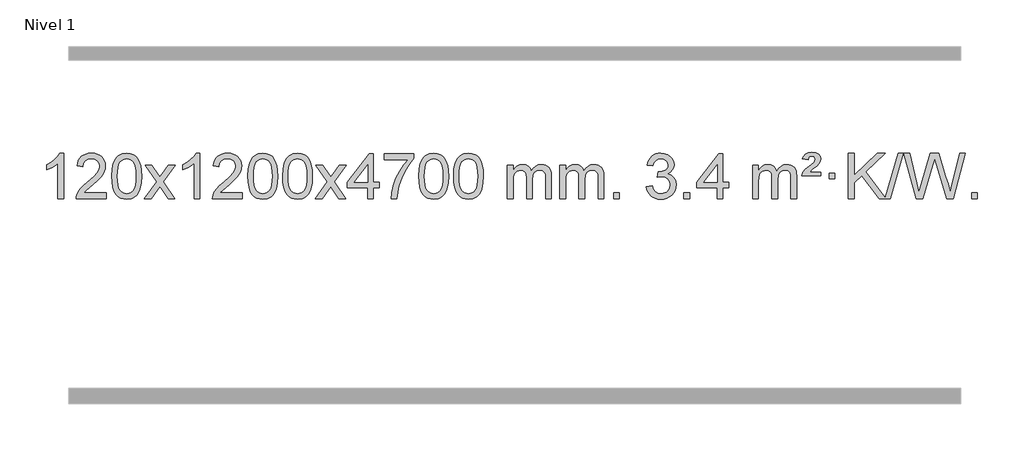
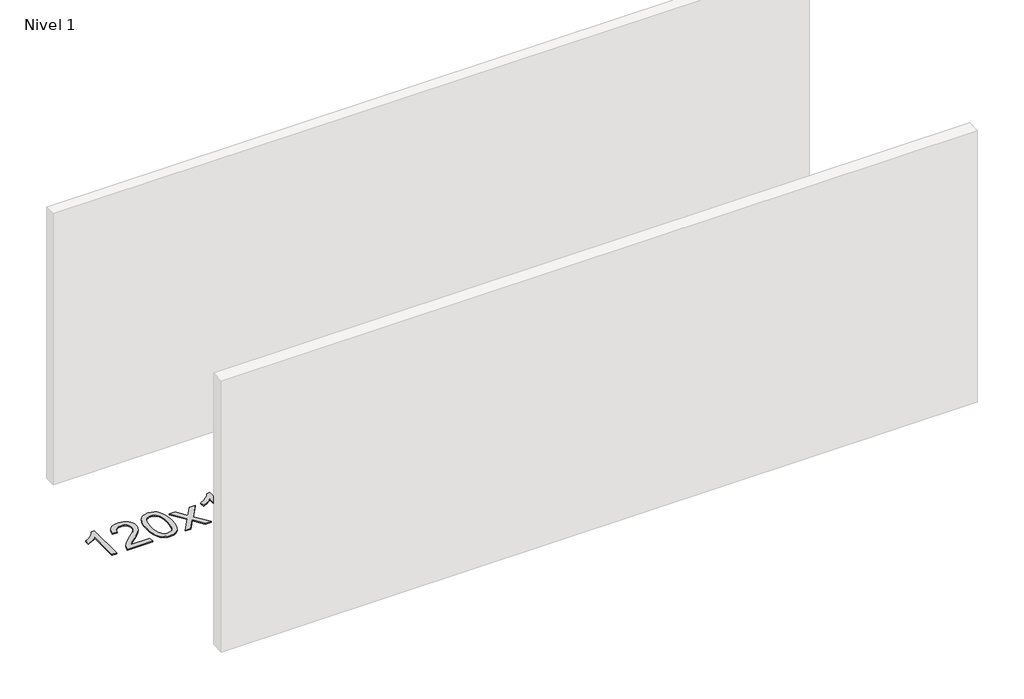
# One storey, part 4 of 10: 1 proxy.
"""IFC4 building model written with IfcOpenShell, lengths in millimetres."""

from ifc_helpers import new_model, si_unit, origin, origin_with_axes, place, context, project, spatial, polyline, outline, extrude, element, save

model = new_model("IFC4")

# Units and contexts
model_context = context("Model", 3, world=origin())
ifc_project = project(units=[si_unit("LENGTHUNIT", "METRE", prefix="MILLI")], contexts=[model_context])

# Site, building, storey
site = spatial("IfcSite", under=ifc_project)
building = spatial("IfcBuilding", under=site)
storey = spatial("IfcBuildingStorey", under=building, Name="Nivel 1", Elevation=0.0)

# Proxy
placement = place(None, origin())
element("IfcBuildingElementProxy", 1, Name="Texto de modelo 1", ObjectType="Texto de modelo 1", at=placement, inside=storey, context=model_context, shape_type="SweptSolid", body=[
    extrude(outline(polyline([(-275.4615788, -12445.579453), (-325.6897338, -12445.579453), (-325.6897338, -12132.4382987), (-346.6590076, -12149.3976587), (-373.2691385, -12166.3324932), (-426.146044, -12191.6918254), (-426.146044, -12144.2105225), (-386.6968314, -12122.7507395), (-352.520594, -12097.219729), (-325.5793692, -12070.0700378), (-307.8351943, -12043.7542124), (-275.4615788, -12043.7542124), (-275.4615788, -12445.579453)])), origin_with_axes(), (0.0, 0.0, 1.0), 10.0),
    extrude(outline(polyline([(101.2495843, -12395.3512979), (101.2495843, -12445.579453), (-162.4482298, -12445.579453), (-161.3445839, -12427.8965918), (-157.0526273, -12410.9494945), (-144.6672667, -12383.8856424), (-126.5429471, -12357.6311307), (-100.3252236, -12330.1503456), (-63.6596514, -12299.4076736), (-9.4583708, -12251.2641831), (23.0623976, -12215.7267824), (39.3227818, -12186.884834), (44.7429098, -12158.8277005), (39.6293501, -12133.6768347), (24.2886709, -12112.7688747), (0.707435, -12098.6789943), (-29.1277948, -12093.9823675), (-60.4590781, -12098.5686297), (-84.8006034, -12112.3274163), (-100.5091646, -12134.1796068), (-105.9415554, -12163.0460807), (-156.1697105, -12156.7675613), (-151.8501627, -12130.838012), (-143.9928164, -12108.1826125), (-132.5976716, -12088.8013627), (-117.6647283, -12072.6942627), (-99.537343, -12060.0329907), (-78.5588722, -12050.989225), (-54.729316, -12045.5629655), (-28.0486743, -12043.7542124), (-1.1289093, -12045.7653006), (22.8294057, -12051.7985654), (43.8262705, -12061.8540066), (61.8616853, -12075.9316242), (76.3470389, -12092.9890861), (86.69372, -12111.9840598), (92.9017287, -12132.9165453), (94.9710649, -12155.7865427), (92.7392475, -12179.8092369), (86.0437952, -12203.4149983), (74.1612067, -12227.4254299), (56.3679809, -12252.6621347), (28.0042791, -12282.7916701), (-15.5897374, -12321.4805933), (-73.3717361, -12369.795762), (-96.033267, -12395.3512979), (101.2495843, -12395.3512979)])), origin_with_axes(), (0.0, 0.0, 1.0), 10.0),
    extrude(outline(polyline([(151.4777394, -12247.9041943), (155.1688221, -12183.5861588), (166.2420701, -12132.2911459), (184.5871189, -12093.2343407), (196.4451819, -12078.0009605), (210.0936039, -12065.6309284), (225.5783702, -12056.0598651), (242.9454661, -12049.2233914), (283.3266464, -12043.7542124), (314.277785, -12046.991574), (341.9915619, -12056.7036586), (365.1681276, -12072.5103217), (382.5076323, -12094.0314184), (395.6042314, -12121.0830078), (406.05208, -12153.4811488), (412.8946851, -12194.6226186), (415.1755535, -12247.9041943), (411.521259, -12311.8543477), (400.5583756, -12363.0267333), (382.3236913, -12402.1203266), (370.4932195, -12417.3996922), (356.8539945, -12429.8341036), (341.3508341, -12439.4695462), (323.928556, -12446.3520052), (283.3266464, -12451.8579724), (255.6619204, -12449.4667394), (231.1364541, -12442.2930405), (209.7502474, -12430.3368757), (191.5033004, -12413.5982449), (173.9921175, -12383.3399508), (161.4841296, -12345.6381776), (153.9793369, -12300.4929255), (151.4777394, -12247.9041943)]), holes=[polyline([(201.7058944, -12247.8060924), (203.1774224, -12291.4706195), (207.5920064, -12326.8148822), (214.9496463, -12353.8388804), (225.2503421, -12372.5426142), (237.709279, -12385.2682656), (251.5416421, -12394.3580165), (266.7474312, -12399.8118671), (283.3266464, -12401.6298173), (299.9058617, -12399.8057357), (315.1116508, -12394.3334911), (328.9440138, -12385.2130833), (341.4029507, -12372.4445124), (351.7036466, -12353.7101217), (359.0612865, -12326.6922549), (363.4758705, -12291.3909118), (364.9473984, -12247.8060924), (363.5249214, -12205.2973278), (359.2574902, -12170.5753989), (352.145105, -12143.6403055), (342.1877657, -12124.4920476), (329.9372952, -12111.1440625), (315.9455167, -12101.6097875), (300.21243, -12095.8892225), (282.7380352, -12093.9823675), (266.2446591, -12095.6623619), (251.2963874, -12100.7023452), (237.89322, -12109.1023175), (226.0351571, -12120.8622786), (215.3911047, -12141.708925), (207.7882101, -12169.8151094), (203.2264734, -12205.1808319), (201.7058944, -12247.8060924)])]), origin_with_axes(), (0.0, 0.0, 1.0), 10.0),
    extrude(outline(polyline([(440.2896311, -12445.579453), (547.6130718, -12297.2494325), (446.5681504, -12150.4890419), (506.9988995, -12150.4890419), (555.7555266, -12221.122385), (578.5151594, -12254.4770192), (598.2336343, -12227.2047007), (653.7592901, -12150.4890419), (714.1900392, -12150.4890419), (608.0438209, -12297.2494325), (710.2659646, -12445.579453), (649.8352155, -12445.579453), (588.3253459, -12356.4048574), (577.0436314, -12340.1199477), (500.7203801, -12445.579453), (440.2896311, -12445.579453)])), origin_with_axes(), (0.0, 0.0, 1.0), 10.0),
    extrude(outline(polyline([(930.014143, -12445.579453), (879.785988, -12445.579453), (879.785988, -12132.4382987), (858.8167142, -12149.3976587), (832.2065832, -12166.3324932), (779.3296778, -12191.6918254), (779.3296778, -12144.2105225), (818.7788904, -12122.7507395), (852.9551278, -12097.219729), (879.8963526, -12070.0700378), (897.6405275, -12043.7542124), (930.014143, -12043.7542124), (930.014143, -12445.579453)])), origin_with_axes(), (0.0, 0.0, 1.0), 10.0),
    extrude(outline(polyline([(1306.7253061, -12395.3512979), (1306.7253061, -12445.579453), (1043.0274919, -12445.579453), (1044.1311379, -12427.8965918), (1048.4230945, -12410.9494945), (1060.808455, -12383.8856424), (1078.9327747, -12357.6311307), (1105.1504982, -12330.1503456), (1141.8160704, -12299.4076736), (1196.017351, -12251.2641831), (1228.5381194, -12215.7267824), (1244.7985036, -12186.884834), (1250.2186316, -12158.8277005), (1245.1050719, -12133.6768347), (1229.7643927, -12112.7688747), (1206.1831568, -12098.6789943), (1176.347927, -12093.9823675), (1145.0166437, -12098.5686297), (1120.6751184, -12112.3274163), (1104.9665572, -12134.1796068), (1099.5341664, -12163.0460807), (1049.3060113, -12156.7675613), (1053.6255591, -12130.838012), (1061.4829054, -12108.1826125), (1072.8780502, -12088.8013627), (1087.8109935, -12072.6942627), (1105.9383788, -12060.0329907), (1126.9168496, -12050.989225), (1150.7464058, -12045.5629655), (1177.4270475, -12043.7542124), (1204.3468125, -12045.7653006), (1228.3051275, -12051.7985654), (1249.3019923, -12061.8540066), (1267.3374071, -12075.9316242), (1281.8227607, -12092.9890861), (1292.1694418, -12111.9840598), (1298.3774505, -12132.9165453), (1300.4467867, -12155.7865427), (1298.2149693, -12179.8092369), (1291.519517, -12203.4149983), (1279.6369285, -12227.4254299), (1261.8437027, -12252.6621347), (1233.4800009, -12282.7916701), (1189.8859844, -12321.4805933), (1132.1039857, -12369.795762), (1109.4424548, -12395.3512979), (1306.7253061, -12395.3512979)])), origin_with_axes(), (0.0, 0.0, 1.0), 10.0),
    extrude(outline(polyline([(1356.9534612, -12247.9041943), (1360.6445439, -12183.5861588), (1371.7177919, -12132.2911459), (1390.0628407, -12093.2343407), (1401.9209037, -12078.0009605), (1415.5693257, -12065.6309284), (1431.054092, -12056.0598651), (1448.4211879, -12049.2233914), (1488.8023682, -12043.7542124), (1519.7535068, -12046.991574), (1547.4672837, -12056.7036586), (1570.6438494, -12072.5103217), (1587.9833541, -12094.0314184), (1601.0799532, -12121.0830078), (1611.5278018, -12153.4811488), (1618.3704069, -12194.6226186), (1620.6512753, -12247.9041943), (1616.9969808, -12311.8543477), (1606.0340974, -12363.0267333), (1587.7994131, -12402.1203266), (1575.9689413, -12417.3996922), (1562.3297163, -12429.8341036), (1546.8265559, -12439.4695462), (1529.4042778, -12446.3520052), (1488.8023682, -12451.8579724), (1461.1376422, -12449.4667394), (1436.6121759, -12442.2930405), (1415.2259692, -12430.3368757), (1396.9790222, -12413.5982449), (1379.4678393, -12383.3399508), (1366.9598514, -12345.6381776), (1359.4550587, -12300.4929255), (1356.9534612, -12247.9041943)]), holes=[polyline([(1407.1816162, -12247.8060924), (1408.6531442, -12291.4706195), (1413.0677282, -12326.8148822), (1420.4253681, -12353.8388804), (1430.7260639, -12372.5426142), (1443.1850008, -12385.2682656), (1457.0173639, -12394.3580165), (1472.223153, -12399.8118671), (1488.8023682, -12401.6298173), (1505.3815835, -12399.8057357), (1520.5873726, -12394.3334911), (1534.4197356, -12385.2130833), (1546.8786725, -12372.4445124), (1557.1793684, -12353.7101217), (1564.5370083, -12326.6922549), (1568.9515923, -12291.3909118), (1570.4231202, -12247.8060924), (1569.0006432, -12205.2973278), (1564.733212, -12170.5753989), (1557.6208268, -12143.6403055), (1547.6634875, -12124.4920476), (1535.413017, -12111.1440625), (1521.4212385, -12101.6097875), (1505.6881518, -12095.8892225), (1488.213757, -12093.9823675), (1471.7203809, -12095.6623619), (1456.7721092, -12100.7023452), (1443.3689418, -12109.1023175), (1431.5108789, -12120.8622786), (1420.8668265, -12141.708925), (1413.2639319, -12169.8151094), (1408.7021952, -12205.1808319), (1407.1816162, -12247.8060924)])]), origin_with_axes(), (0.0, 0.0, 1.0), 10.0),
    extrude(outline(polyline([(1664.600911, -12247.9041943), (1668.2919937, -12183.5861588), (1679.3652417, -12132.2911459), (1697.7102906, -12093.2343407), (1709.5683535, -12078.0009605), (1723.2167756, -12065.6309284), (1738.7015419, -12056.0598651), (1756.0686377, -12049.2233914), (1796.4498181, -12043.7542124), (1827.4009566, -12046.991574), (1855.1147336, -12056.7036586), (1878.2912993, -12072.5103217), (1895.630804, -12094.0314184), (1908.727403, -12121.0830078), (1919.1752517, -12153.4811488), (1926.0178568, -12194.6226186), (1928.2987251, -12247.9041943), (1924.6444307, -12311.8543477), (1913.6815472, -12363.0267333), (1895.446863, -12402.1203266), (1883.6163911, -12417.3996922), (1869.9771662, -12429.8341036), (1854.4740058, -12439.4695462), (1837.0517276, -12446.3520052), (1796.4498181, -12451.8579724), (1768.785092, -12449.4667394), (1744.2596257, -12442.2930405), (1722.873419, -12430.3368757), (1704.6264721, -12413.5982449), (1687.1152891, -12383.3399508), (1674.6073013, -12345.6381776), (1667.1025086, -12300.4929255), (1664.600911, -12247.9041943)]), holes=[polyline([(1714.8290661, -12247.8060924), (1716.3005941, -12291.4706195), (1720.715178, -12326.8148822), (1728.0728179, -12353.8388804), (1738.3735138, -12372.5426142), (1750.8324507, -12385.2682656), (1764.6648137, -12394.3580165), (1779.8706028, -12399.8118671), (1796.4498181, -12401.6298173), (1813.0290333, -12399.8057357), (1828.2348225, -12394.3334911), (1842.0671855, -12385.2130833), (1854.5261224, -12372.4445124), (1864.8268182, -12353.7101217), (1872.1844581, -12326.6922549), (1876.5990421, -12291.3909118), (1878.0705701, -12247.8060924), (1876.648093, -12205.2973278), (1872.3806619, -12170.5753989), (1865.2682766, -12143.6403055), (1855.3109373, -12124.4920476), (1843.0604669, -12111.1440625), (1829.0686883, -12101.6097875), (1813.3356016, -12095.8892225), (1795.8612069, -12093.9823675), (1779.3678308, -12095.6623619), (1764.419559, -12100.7023452), (1751.0163917, -12109.1023175), (1739.1583287, -12120.8622786), (1728.5142763, -12141.708925), (1720.9113817, -12169.8151094), (1716.349645, -12205.1808319), (1714.8290661, -12247.8060924)])]), origin_with_axes(), (0.0, 0.0, 1.0), 10.0),
    extrude(outline(polyline([(1953.4128027, -12445.579453), (2060.7362434, -12297.2494325), (1959.6913221, -12150.4890419), (2020.1220711, -12150.4890419), (2068.8786982, -12221.122385), (2091.638331, -12254.4770192), (2111.3568059, -12227.2047007), (2166.8824617, -12150.4890419), (2227.3132108, -12150.4890419), (2121.1669925, -12297.2494325), (2223.3891362, -12445.579453), (2162.9583871, -12445.579453), (2101.4485175, -12356.4048574), (2090.166803, -12340.1199477), (2013.8435518, -12445.579453), (1953.4128027, -12445.579453)])), origin_with_axes(), (0.0, 0.0, 1.0), 10.0),
    extrude(outline(polyline([(2418.0232371, -12445.579453), (2418.0232371, -12351.4016622), (2235.946175, -12351.4016622), (2235.946175, -12301.1735072), (2430.5802759, -12050.0327318), (2468.2513922, -12050.0327318), (2468.2513922, -12301.1735072), (2518.4795473, -12301.1735072), (2518.4795473, -12351.4016622), (2468.2513922, -12351.4016622), (2468.2513922, -12445.579453), (2418.0232371, -12445.579453)]), holes=[polyline([(2418.0232371, -12301.1735072), (2418.0232371, -12145.9763561), (2297.7503502, -12301.1735072), (2418.0232371, -12301.1735072)])]), origin_with_axes(), (0.0, 0.0, 1.0), 10.0),
    extrude(outline(polyline([(2562.429183, -12100.2608869), (2562.429183, -12050.0327318), (2826.1269971, -12050.0327318), (2826.1269971, -12090.646904), (2788.5417199, -12138.214046), (2751.3243248, -12198.7061088), (2718.496988, -12266.6048623), (2694.0818863, -12336.3920768), (2682.1134587, -12388.6067947), (2675.4425319, -12445.579453), (2625.2143768, -12445.579453), (2630.6467676, -12393.8061935), (2645.1781064, -12332.2717985), (2668.4159858, -12267.0463207), (2699.9679982, -12204.1998132), (2736.8052487, -12147.3865704), (2775.898842, -12100.2608869), (2562.429183, -12100.2608869)])), origin_with_axes(), (0.0, 0.0, 1.0), 10.0),
    extrude(outline(polyline([(2870.0766328, -12247.9041943), (2873.7677155, -12183.5861588), (2884.8409635, -12132.2911459), (2903.1860124, -12093.2343407), (2915.0440753, -12078.0009605), (2928.6924974, -12065.6309284), (2944.1772637, -12056.0598651), (2961.5443595, -12049.2233914), (3001.9255399, -12043.7542124), (3032.8766784, -12046.991574), (3060.5904554, -12056.7036586), (3083.7670211, -12072.5103217), (3101.1065258, -12094.0314184), (3114.2031248, -12121.0830078), (3124.6509735, -12153.4811488), (3131.4935786, -12194.6226186), (3133.7744469, -12247.9041943), (3130.1201525, -12311.8543477), (3119.157269, -12363.0267333), (3100.9225848, -12402.1203266), (3089.0921129, -12417.3996922), (3075.452888, -12429.8341036), (3059.9497276, -12439.4695462), (3042.5274494, -12446.3520052), (3001.9255399, -12451.8579724), (2974.2608138, -12449.4667394), (2949.7353475, -12442.2930405), (2928.3491408, -12430.3368757), (2910.1021939, -12413.5982449), (2892.5910109, -12383.3399508), (2880.0830231, -12345.6381776), (2872.5782304, -12300.4929255), (2870.0766328, -12247.9041943)]), holes=[polyline([(2920.3047879, -12247.8060924), (2921.7763158, -12291.4706195), (2926.1908998, -12326.8148822), (2933.5485397, -12353.8388804), (2943.8492356, -12372.5426142), (2956.3081725, -12385.2682656), (2970.1405355, -12394.3580165), (2985.3463246, -12399.8118671), (3001.9255399, -12401.6298173), (3018.5047551, -12399.8057357), (3033.7105442, -12394.3334911), (3047.5429073, -12385.2130833), (3060.0018442, -12372.4445124), (3070.30254, -12353.7101217), (3077.6601799, -12326.6922549), (3082.0747639, -12291.3909118), (3083.5462919, -12247.8060924), (3082.1238148, -12205.2973278), (3077.8563837, -12170.5753989), (3070.7439984, -12143.6403055), (3060.7866591, -12124.4920476), (3048.5361887, -12111.1440625), (3034.5444101, -12101.6097875), (3018.8113234, -12095.8892225), (3001.3369287, -12093.9823675), (2984.8435526, -12095.6623619), (2969.8952808, -12100.7023452), (2956.4921135, -12109.1023175), (2944.6340505, -12120.8622786), (2933.9899981, -12141.708925), (2926.3871035, -12169.8151094), (2921.8253668, -12205.1808319), (2920.3047879, -12247.8060924)])]), origin_with_axes(), (0.0, 0.0, 1.0), 10.0),
    extrude(outline(polyline([(3177.7240826, -12247.9041943), (3181.4151653, -12183.5861588), (3192.4884134, -12132.2911459), (3210.8334622, -12093.2343407), (3222.6915252, -12078.0009605), (3236.3399472, -12065.6309284), (3251.8247135, -12056.0598651), (3269.1918094, -12049.2233914), (3309.5729897, -12043.7542124), (3340.5241282, -12046.991574), (3368.2379052, -12056.7036586), (3391.4144709, -12072.5103217), (3408.7539756, -12094.0314184), (3421.8505746, -12121.0830078), (3432.2984233, -12153.4811488), (3439.1410284, -12194.6226186), (3441.4218968, -12247.9041943), (3437.7676023, -12311.8543477), (3426.8047188, -12363.0267333), (3408.5700346, -12402.1203266), (3396.7395628, -12417.3996922), (3383.1003378, -12429.8341036), (3367.5971774, -12439.4695462), (3350.1748992, -12446.3520052), (3309.5729897, -12451.8579724), (3281.9082637, -12449.4667394), (3257.3827973, -12442.2930405), (3235.9965907, -12430.3368757), (3217.7496437, -12413.5982449), (3200.2384607, -12383.3399508), (3187.7304729, -12345.6381776), (3180.2256802, -12300.4929255), (3177.7240826, -12247.9041943)]), holes=[polyline([(3227.9522377, -12247.8060924), (3229.4237657, -12291.4706195), (3233.8383496, -12326.8148822), (3241.1959895, -12353.8388804), (3251.4966854, -12372.5426142), (3263.9556223, -12385.2682656), (3277.7879853, -12394.3580165), (3292.9937744, -12399.8118671), (3309.5729897, -12401.6298173), (3326.1522049, -12399.8057357), (3341.3579941, -12394.3334911), (3355.1903571, -12385.2130833), (3367.649294, -12372.4445124), (3377.9499899, -12353.7101217), (3385.3076298, -12326.6922549), (3389.7222137, -12291.3909118), (3391.1937417, -12247.8060924), (3389.7712646, -12205.2973278), (3385.5038335, -12170.5753989), (3378.3914483, -12143.6403055), (3368.4341089, -12124.4920476), (3356.1836385, -12111.1440625), (3342.1918599, -12101.6097875), (3326.4587733, -12095.8892225), (3308.9843785, -12093.9823675), (3292.4910024, -12095.6623619), (3277.5427307, -12100.7023452), (3264.1395633, -12109.1023175), (3252.2815003, -12120.8622786), (3241.6374479, -12141.708925), (3234.0345534, -12169.8151094), (3229.4728166, -12205.1808319), (3227.9522377, -12247.8060924)])]), origin_with_axes(), (0.0, 0.0, 1.0), 10.0),
    extrude(outline(polyline([(3654.8915558, -12445.579453), (3654.8915558, -12150.4890419), (3705.1197109, -12150.4890419), (3705.1197109, -12199.0494653), (3720.2273982, -12176.7435537), (3739.6515675, -12159.2691589), (3762.7300314, -12147.9751816), (3788.8006021, -12144.2105225), (3816.7351082, -12148.048758), (3839.126859, -12159.5634645), (3855.8532271, -12177.9943524), (3866.7915851, -12202.5811324), (3885.0998457, -12177.0439906), (3905.9832803, -12158.803175), (3929.4418888, -12147.8586857), (3955.4756714, -12144.2105225), (3975.5834881, -12145.7280358), (3993.2326268, -12150.2805755), (4008.4230875, -12157.8681416), (4021.1548702, -12168.4907342), (4031.2195085, -12182.2709806), (4038.4085358, -12199.3315082), (4042.7219522, -12219.6723168), (4044.1597577, -12243.2934066), (4044.1597577, -12445.579453), (3993.9316026, -12445.579453), (3993.9316026, -12264.875817), (3992.7666429, -12239.8230531), (3989.271764, -12222.9372695), (3982.7234645, -12211.3735121), (3972.3982431, -12202.2868268), (3959.1177031, -12196.4007149), (3943.7034475, -12194.4386776), (3916.4924426, -12199.4663982), (3894.3091583, -12214.54956), (3885.7037853, -12226.1194488), (3879.5570903, -12240.7182326), (3874.6397343, -12279.0024856), (3874.6397343, -12445.579453), (3824.4115792, -12445.579453), (3824.4115792, -12259.2840106), (3821.5053115, -12230.8835206), (3812.7865082, -12210.6254854), (3797.445829, -12198.4853796), (3774.6739335, -12194.4386776), (3755.3233405, -12197.1364789), (3737.4933265, -12205.2298828), (3722.7780467, -12218.5226856), (3712.7716564, -12236.8186835), (3707.0326973, -12262.2025411), (3705.1197109, -12296.7589232), (3705.1197109, -12445.579453), (3654.8915558, -12445.579453)])), origin_with_axes(), (0.0, 0.0, 1.0), 10.0),
    extrude(outline(polyline([(4119.5019903, -12445.579453), (4119.5019903, -12150.4890419), (4169.7301454, -12150.4890419), (4169.7301454, -12199.0494653), (4184.8378326, -12176.7435537), (4204.262002, -12159.2691589), (4227.3404658, -12147.9751816), (4253.4110365, -12144.2105225), (4281.3455427, -12148.048758), (4303.7372935, -12159.5634645), (4320.4636615, -12177.9943524), (4331.4020195, -12202.5811324), (4349.7102801, -12177.0439906), (4370.5937147, -12158.803175), (4394.0523233, -12147.8586857), (4420.0861058, -12144.2105225), (4440.1939225, -12145.7280358), (4457.8430612, -12150.2805755), (4473.033522, -12157.8681416), (4485.7653047, -12168.4907342), (4495.8299429, -12182.2709806), (4503.0189703, -12199.3315082), (4507.3323866, -12219.6723168), (4508.7701921, -12243.2934066), (4508.7701921, -12445.579453), (4458.542037, -12445.579453), (4458.542037, -12264.875817), (4457.3770774, -12239.8230531), (4453.8821984, -12222.9372695), (4447.3338989, -12211.3735121), (4437.0086776, -12202.2868268), (4423.7281376, -12196.4007149), (4408.313882, -12194.4386776), (4381.1028771, -12199.4663982), (4358.9195927, -12214.54956), (4350.3142197, -12226.1194488), (4344.1675247, -12240.7182326), (4339.2501687, -12279.0024856), (4339.2501687, -12445.579453), (4289.0220137, -12445.579453), (4289.0220137, -12259.2840106), (4286.1157459, -12230.8835206), (4277.3969426, -12210.6254854), (4262.0562634, -12198.4853796), (4239.2843679, -12194.4386776), (4219.933775, -12197.1364789), (4202.1037609, -12205.2298828), (4187.3884811, -12218.5226856), (4177.3820909, -12236.8186835), (4171.6431317, -12262.2025411), (4169.7301454, -12296.7589232), (4169.7301454, -12445.579453), (4119.5019903, -12445.579453)])), origin_with_axes(), (0.0, 0.0, 1.0), 10.0),
    extrude(outline(polyline([(4596.6694635, -12445.579453), (4596.6694635, -12395.3512979), (4646.8976186, -12395.3512979), (4646.8976186, -12445.579453), (4596.6694635, -12445.579453)])), origin_with_axes(), (0.0, 0.0, 1.0), 10.0),
    extrude(outline(polyline([(4885.4813552, -12338.8446235), (4935.7095102, -12332.5661041), (4946.9544366, -12364.1303793), (4963.4232872, -12385.4430095), (4985.9254026, -12397.5831154), (5015.2701231, -12401.6298173), (5049.7038778, -12396.0625364), (5063.9776992, -12389.1034354), (5076.2894833, -12379.3606939), (5093.2856315, -12354.4428201), (5098.9510142, -12324.2274455), (5093.3346824, -12295.5449126), (5076.4856871, -12272.2825078), (5050.9792021, -12256.8682522), (5019.3904014, -12251.730167), (4984.1718317, -12257.2238715), (4989.7636381, -12206.9957164), (4997.807991, -12207.5843276), (5027.9007382, -12203.979084), (5054.8051748, -12193.1633534), (5065.8784229, -12184.9841103), (5073.7878858, -12174.8673555), (5078.5335635, -12162.8130888), (5080.1154561, -12148.8213102), (5075.5291939, -12127.1285352), (5061.7704073, -12109.5315131), (5040.7766081, -12097.8696539), (5014.4853081, -12093.9823675), (4988.1449573, -12097.9064421), (4966.6115978, -12109.6786659), (4950.8907739, -12129.299039), (4941.9880296, -12156.7675613), (4891.7598746, -12150.4890419), (4897.7134315, -12126.5092672), (4906.5487308, -12105.3867093), (4918.2657723, -12087.1213683), (4932.8645561, -12071.713244), (4949.8852298, -12059.4811677), (4968.8679407, -12050.7439703), (4989.812689, -12045.5016519), (5012.7194746, -12043.7542124), (5044.2960125, -12047.2000404), (5073.2973764, -12057.5375245), (5097.7492664, -12073.8469596), (5115.6773823, -12095.2086408), (5126.6770539, -12119.8199463), (5130.3436112, -12145.8782543), (5126.8609949, -12170.1584659), (5116.4131463, -12192.1823347), (5099.147218, -12210.9443165), (5075.2103628, -12225.4388671), (5106.6520107, -12238.1430586), (5129.9512037, -12259.77452), (5144.3721779, -12289.1560286), (5149.1791693, -12325.1103623), (5146.7756736, -12350.5923218), (5139.5651865, -12374.0631931), (5127.547708, -12395.5229762), (5110.7232381, -12414.971671), (5090.2260796, -12431.1094278), (5067.1905353, -12442.636397), (5041.6166053, -12449.5525785), (5013.5042895, -12451.8579724), (4988.0959064, -12449.8898037), (4964.9438661, -12443.9852977), (4944.0481688, -12434.1444543), (4925.4088144, -12420.3672736), (4909.779961, -12403.4630959), (4897.9157666, -12384.2412617), (4889.8162313, -12362.7017708), (4885.4813552, -12338.8446235)])), origin_with_axes(), (0.0, 0.0, 1.0), 10.0),
    extrude(outline(polyline([(5218.2428825, -12445.579453), (5218.2428825, -12395.3512979), (5268.4710376, -12395.3512979), (5268.4710376, -12445.579453), (5218.2428825, -12445.579453)])), origin_with_axes(), (0.0, 0.0, 1.0), 10.0),
    extrude(outline(polyline([(5513.3332936, -12445.579453), (5513.3332936, -12351.4016622), (5331.2562315, -12351.4016622), (5331.2562315, -12301.1735072), (5525.8903324, -12050.0327318), (5563.5614487, -12050.0327318), (5563.5614487, -12301.1735072), (5613.7896038, -12301.1735072), (5613.7896038, -12351.4016622), (5563.5614487, -12351.4016622), (5563.5614487, -12445.579453), (5513.3332936, -12445.579453)]), holes=[polyline([(5513.3332936, -12301.1735072), (5513.3332936, -12145.9763561), (5393.0604066, -12301.1735072), (5513.3332936, -12301.1735072)])]), origin_with_axes(), (0.0, 0.0, 1.0), 10.0),
    extrude(outline(polyline([(5827.2592628, -12445.579453), (5827.2592628, -12150.4890419), (5877.4874179, -12150.4890419), (5877.4874179, -12199.0494653), (5892.5951052, -12176.7435537), (5912.0192745, -12159.2691589), (5935.0977383, -12147.9751816), (5961.1683091, -12144.2105225), (5989.1028152, -12148.048758), (6011.494566, -12159.5634645), (6028.2209341, -12177.9943524), (6039.159292, -12202.5811324), (6057.4675527, -12177.0439906), (6078.3509873, -12158.803175), (6101.8095958, -12147.8586857), (6127.8433783, -12144.2105225), (6147.9511951, -12145.7280358), (6165.6003338, -12150.2805755), (6180.7907945, -12157.8681416), (6193.5225772, -12168.4907342), (6203.5872155, -12182.2709806), (6210.7762428, -12199.3315082), (6215.0896592, -12219.6723168), (6216.5274647, -12243.2934066), (6216.5274647, -12445.579453), (6166.2993096, -12445.579453), (6166.2993096, -12264.875817), (6165.1343499, -12239.8230531), (6161.639471, -12222.9372695), (6155.0911715, -12211.3735121), (6144.7659501, -12202.2868268), (6131.4854101, -12196.4007149), (6116.0711545, -12194.4386776), (6088.8601496, -12199.4663982), (6066.6768653, -12214.54956), (6058.0714923, -12226.1194488), (6051.9247973, -12240.7182326), (6047.0074413, -12279.0024856), (6047.0074413, -12445.579453), (5996.7792862, -12445.579453), (5996.7792862, -12259.2840106), (5993.8730184, -12230.8835206), (5985.1542152, -12210.6254854), (5969.813536, -12198.4853796), (5947.0416405, -12194.4386776), (5927.6910475, -12197.1364789), (5909.8610335, -12205.2298828), (5895.1457537, -12218.5226856), (5885.1393634, -12236.8186835), (5879.4004043, -12262.2025411), (5877.4874179, -12296.7589232), (5877.4874179, -12445.579453), (5827.2592628, -12445.579453)])), origin_with_axes(), (0.0, 0.0, 1.0), 10.0),
    extrude(outline(polyline([(6260.4771003, -12244.6668327), (6264.3030731, -12228.8479069), (6272.6417317, -12212.9799302), (6294.1505656, -12187.8413272), (6326.1072483, -12160.1030247), (6370.2530877, -12122.726214), (6377.3899984, -12111.1992448), (6379.7689686, -12099.3779701), (6377.8805077, -12087.2869152), (6372.215125, -12077.5012541), (6362.8463969, -12071.026531), (6349.8478997, -12068.8682899), (6337.4134883, -12070.4869707), (6328.5597949, -12075.343013), (6322.1341227, -12084.8098431), (6316.9837748, -12100.2608869), (6266.7556197, -12093.9823675), (6277.5958759, -12068.7701881), (6294.224142, -12051.2099542), (6317.9893189, -12040.9092583), (6350.2403072, -12037.475693), (6386.0229626, -12041.6082341), (6410.7691581, -12054.0058573), (6425.1901323, -12072.3386434), (6429.9971237, -12094.2766731), (6425.9013708, -12117.1834586), (6413.6141122, -12138.8149199), (6393.0862969, -12158.6314968), (6356.6169284, -12186.6886303), (6331.0123416, -12213.2742358), (6429.9971237, -12213.2742358), (6429.9971237, -12244.6668327), (6260.4771003, -12244.6668327)])), origin_with_axes(), (0.0, 0.0, 1.0), 10.0),
    extrude(outline(polyline([(6505.3393563, -12269.7809102), (6505.3393563, -12219.5527552), (6555.5675114, -12219.5527552), (6555.5675114, -12269.7809102), (6505.3393563, -12269.7809102)])), origin_with_axes(), (0.0, 0.0, 1.0), 10.0),
    extrude(outline(polyline([(6946.2091394, -12445.579453), (6792.7778219, -12242.9009991), (6725.0875348, -12307.4520265), (6725.0875348, -12445.579453), (6674.8593797, -12445.579453), (6674.8593797, -12043.7542124), (6725.0875348, -12043.7542124), (6725.0875348, -12240.4484525), (6931.1014521, -12043.7542124), (7001.3423877, -12043.7542124), (6828.388799, -12208.9577537), (7003.0424089, -12439.5349332), (7114.3557366, -12043.7542124), (7159.6787984, -12043.7542124), (7046.6654495, -12445.579453), (7007.6209071, -12445.579453), (7001.3423877, -12445.579453), (6946.2091394, -12445.579453)])), origin_with_axes(), (0.0, 0.0, 1.0), 10.0),
    extrude(outline(polyline([(7274.1636753, -12445.579453), (7164.5838917, -12043.7542124), (7216.3816766, -12043.7542124), (7279.9516854, -12307.844434), (7299.5720585, -12389.3670841), (7320.5658576, -12317.2622131), (7400.2245723, -12043.7542124), (7474.8800919, -12043.7542124), (7532.7601925, -12242.0180823), (7557.5554389, -12315.5944814), (7575.8269114, -12389.3670841), (7594.8586732, -12310.1988788), (7659.0172932, -12043.7542124), (7710.8150781, -12043.7542124), (7601.1371926, -12445.579453), (7547.4754723, -12445.579453), (7451.1394405, -12135.5775584), (7437.6994849, -12092.3146358), (7422.5917976, -12144.4067263), (7334.7906281, -12445.579453), (7274.1636753, -12445.579453)])), origin_with_axes(), (0.0, 0.0, 1.0), 10.0),
    extrude(outline(polyline([(7767.3217526, -12445.579453), (7767.3217526, -12395.3512979), (7817.5499077, -12395.3512979), (7817.5499077, -12445.579453), (7767.3217526, -12445.579453)])), origin_with_axes(), (0.0, 0.0, 1.0), 10.0),
])

save(model, "model.ifc")
